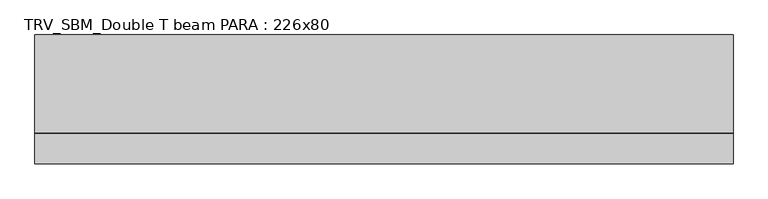
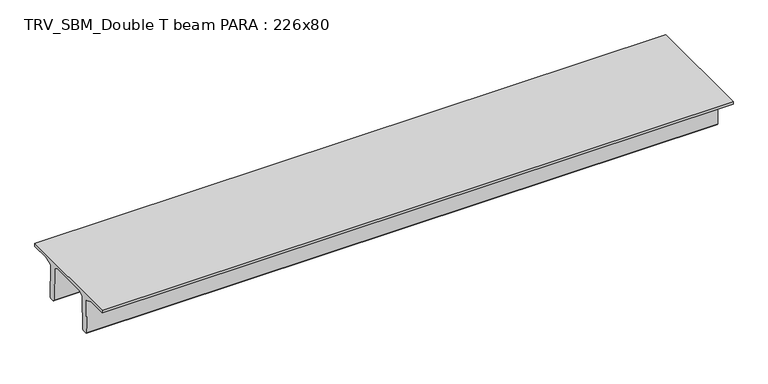
"""IFC4 building model written with IfcOpenShell, lengths in millimetres: beam geometry, TRV_SBM_Double T beam PARA : 226x80."""

from ifc_helpers import new_model, si_unit, frame, origin, place, context, project, spatial, polyline, outline, extrude, source, transform, mapped, element, save


def trv_sbm_double_t_beam_para_226x80_8caacf91(model_context):
    return source(origin(), model_context, "Body", "SweptSolid", [
        extrude(outline(polyline([(352.1399239, 205.988519), (-382.1399239, 205.988519), (-485.0, 144.18395), (-501.9262559, -520.5206011), (-521.4056548, -540.0), (-611.4056548, -540.0), (-631.9887932, -520.5206011), (-615.2025683, 140.6523122), (-776.9153545, 205.988519), (-1145.0, 205.988519), (-1145.0, 260.0), (1115.0, 260.0), (1115.0, 205.988519), (746.9153545, 205.988519), (585.2025683, 140.6523122), (601.9887932, -520.5206011), (581.4056548, -540.0), (491.4056548, -540.0), (471.9262559, -520.5206011), (455.0, 144.18395), (352.1399239, 205.988519)])), frame((-6297.3715043, 0.0, 0.0), z_axis=(1.0, 0.0, 0.0), x_axis=(0.0, 1.0, 0.0)), (0.0, 0.0, 1.0), 12258.2777729),
    ])


if __name__ == "__main__":
    model = new_model("IFC4")
    model_context = context("Model", 3, world=origin())
    ifc_project = project(units=[si_unit("LENGTHUNIT", "METRE", prefix="MILLI")], contexts=[model_context])
    site = spatial("IfcSite", under=ifc_project)
    building = spatial("IfcBuilding", under=site)
    placement = place(None, origin())
    trv_sbm_double_t_beam_para_226x80_shape = trv_sbm_double_t_beam_para_226x80_8caacf91(model_context)
    element("IfcBeam", 1, ObjectType="TRV_SBM_Double T beam PARA : 226x80", at=placement, inside=building, context=model_context, shape_type="MappedRepresentation", body=[
        mapped(trv_sbm_double_t_beam_para_226x80_shape, transform((0.0, 0.0, 0.0), x_axis=(1.0, 0.0, 0.0), y_axis=(0.0, 1.0, 0.0), z_axis=(0.0, 0.0, 1.0))),
    ])
    save(model, "model.ifc")
